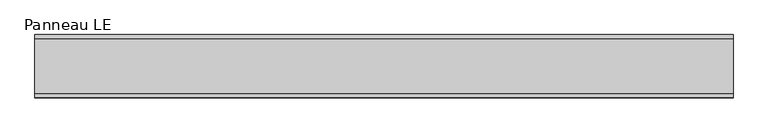
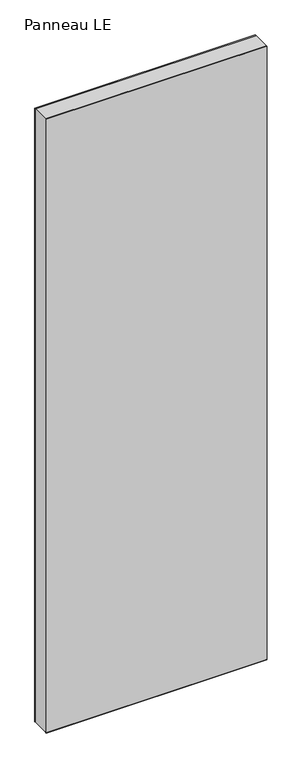
"""IFC4 building model written with IfcOpenShell, lengths in millimetres: plate geometry, Panneau LE."""

import ifcopenshell
import ifcopenshell.guid

model = None  # the IFC model being written
_history = None  # IfcOwnerHistory: only IFC2X3 demands one
_inside = {}  # id of a spatial element -> (the spatial element, [elements in it])
_under = {}  # id of a project, library or spatial element -> (it, [spatial elements below it])
_declared = {}  # id of a project -> (the project, [libraries it declares])
_typed = {}  # id of a type object -> (the type object, [elements of that type])
_made_of = {}  # id of a material, layer set ... -> (it, [elements and type objects made of it])


def new_model(schema):
    """Start an empty IFC model of exactly this schema.

    Asked for "IFC4X3", IfcOpenShell would pick the latest addendum, in which some entities
    have other attributes; the version numbers below select the first issue.
    IFC2X3 requires an IfcOwnerHistory on every rooted entity: one is made here for all.
    """
    global model, _history
    if schema == "IFC4X3":
        model = ifcopenshell.file(schema_version=(4, 3, 0, 0))
    else:
        model = ifcopenshell.file(schema=schema)
    _inside.clear()
    _under.clear()
    _declared.clear()
    _typed.clear()
    _made_of.clear()
    _history = None
    if model.schema == "IFC2X3":
        org = make("IfcOrganization", Name="unknown")
        user = make(
            "IfcPersonAndOrganization",
            ThePerson=make("IfcPerson", FamilyName="unknown"),
            TheOrganization=org,
        )
        app = make(
            "IfcApplication",
            ApplicationDeveloper=org,
            Version="unknown",
            ApplicationFullName="unknown",
            ApplicationIdentifier="unknown",
        )
        _history = make(
            "IfcOwnerHistory",
            OwningUser=user,
            OwningApplication=app,
            ChangeAction="ADDED",
            CreationDate=0,
        )
    return model


def make(cls, **values):
    """One entity of the class cls with the attributes given. An attribute that is None is left unset."""
    return model.create_entity(
        cls, **{name: value for name, value in values.items() if value is not None}
    )


def rooted(cls, **values):
    """An entity with a GlobalId (a new one), such as an element, a storey or a relation."""
    return make(cls, GlobalId=ifcopenshell.guid.new(), OwnerHistory=_history, **values)


def si_unit(unit_type, name, prefix=None):
    """IfcSIUnit, for example si_unit("LENGTHUNIT", "METRE", prefix="MILLI")."""
    return make("IfcSIUnit", UnitType=unit_type, Prefix=prefix, Name=name)


def assignment(units):
    """IfcUnitAssignment: the units of a project."""
    return None if units is None else make("IfcUnitAssignment", Units=units)


def point(xyz):
    """IfcCartesianPoint."""
    return None if xyz is None else make("IfcCartesianPoint", Coordinates=xyz)


def direction(xyz):
    """IfcDirection."""
    return None if xyz is None else make("IfcDirection", DirectionRatios=xyz)


def frame(location, z_axis=None, x_axis=None):
    """IfcAxis2Placement3D, a coordinate frame: its origin and axes. An axis left out is left unset."""
    return make(
        "IfcAxis2Placement3D",
        Location=point(location),
        Axis=direction(z_axis),
        RefDirection=direction(x_axis),
    )


def origin():
    """The frame at (0, 0, 0) with its axes left unset."""
    return frame((0.0, 0.0, 0.0))


def origin_with_axes():
    """The frame at (0, 0, 0) with the z axis (0, 0, 1) and the x axis (1, 0, 0) written out."""
    return frame((0.0, 0.0, 0.0), z_axis=(0.0, 0.0, 1.0), x_axis=(1.0, 0.0, 0.0))


def place(relative_to, where):
    """IfcLocalPlacement: puts the frame where relative to a parent placement (None: the world)."""
    return make(
        "IfcLocalPlacement", PlacementRelTo=relative_to, RelativePlacement=where
    )


def context(
    kind, dimensions, precision=None, world=None, true_north=None, identifier=None
):
    """IfcGeometricRepresentationContext, for example the 3D "Model" context."""
    return make(
        "IfcGeometricRepresentationContext",
        ContextIdentifier=identifier,
        ContextType=kind,
        CoordinateSpaceDimension=dimensions,
        Precision=precision,
        WorldCoordinateSystem=world,
        TrueNorth=true_north,
    )


def project(units=None, contexts=None):
    """IfcProject with its units and contexts."""
    return rooted(
        "IfcProject",
        Name="project",
        RepresentationContexts=contexts,
        UnitsInContext=assignment(units),
    )


def spatial(cls, under=None, at=None, **own):
    """A site, building, storey or space (cls), placed at a placement, below another one or the project."""
    s = rooted(cls, ObjectPlacement=at, **own)
    if under is not None:
        _under.setdefault(under.id(), (under, []))[1].append(s)
    return s


def polyline(points):
    """IfcPolyline through the points."""
    return make("IfcPolyline", Points=[point(p) for p in points])


def outline(outer, holes=None, kind="AREA"):
    """IfcArbitraryClosedProfileDef: a profile drawn as a closed curve; with holes, ...WithVoids."""
    if holes is None:
        return make("IfcArbitraryClosedProfileDef", ProfileType=kind, OuterCurve=outer)
    return make(
        "IfcArbitraryProfileDefWithVoids",
        ProfileType=kind,
        OuterCurve=outer,
        InnerCurves=holes,
    )


def extrude(swept, where, along, depth):
    """IfcExtrudedAreaSolid: the profile swept, set in the frame where, extruded along a direction by depth."""
    return make(
        "IfcExtrudedAreaSolid",
        SweptArea=swept,
        Position=where,
        ExtrudedDirection=direction(along),
        Depth=depth,
    )


def shape(context_of_items, identifier, shape_type, items):
    """IfcShapeRepresentation: the items that make up one representation, for example the "Body"."""
    return make(
        "IfcShapeRepresentation",
        ContextOfItems=context_of_items,
        RepresentationIdentifier=identifier,
        RepresentationType=shape_type,
        Items=items,
    )


def source(mapping_origin, context_of_items, identifier, shape_type, items):
    """IfcRepresentationMap: a shape defined once, which mapped items show again and again."""
    return make(
        "IfcRepresentationMap",
        MappingOrigin=mapping_origin,
        MappedRepresentation=shape(context_of_items, identifier, shape_type, items),
    )


def transform(
    local_origin,
    x_axis=None,
    y_axis=None,
    z_axis=None,
    scale=None,
    scale2=None,
    scale3=None,
    uniform=True,
):
    """IfcCartesianTransformationOperator3D, or its non-uniform kind. x_axis, y_axis, z_axis: its Axis1, 2, 3."""
    if uniform:
        return make(
            "IfcCartesianTransformationOperator3D",
            Axis1=direction(x_axis),
            Axis2=direction(y_axis),
            LocalOrigin=point(local_origin),
            Scale=scale,
            Axis3=direction(z_axis),
        )
    return make(
        "IfcCartesianTransformationOperator3DnonUniform",
        Axis1=direction(x_axis),
        Axis2=direction(y_axis),
        LocalOrigin=point(local_origin),
        Scale=scale,
        Axis3=direction(z_axis),
        Scale2=scale2,
        Scale3=scale3,
    )


def mapped(mapping_source, mapping_target):
    """IfcMappedItem: shows the shape of a source again, moved by a transform."""
    return make(
        "IfcMappedItem", MappingSource=mapping_source, MappingTarget=mapping_target
    )


def made_of(thing, what):
    """Note that an element or type object is made of a material, layer set ...; save() writes the relation."""
    if what is not None:
        _made_of.setdefault(what.id(), (what, []))[1].append(thing)
    return thing


def element(
    cls,
    number,
    at=None,
    inside=None,
    cuts=None,
    type_object=None,
    material=None,
    context=None,
    identifier="Body",
    shape_type=None,
    held_by="IfcProductDefinitionShape",
    body=None,
    shapes=None,
    **own,
):
    """One element of the class cls, such as IfcWall. Its Tag is "e" and its number.

    at: its placement. inside: the storey or other place that contains it. cuts: it is an
    opening in that element (IfcRelVoidsElement). A single representation is given by context,
    identifier, shape_type and body (its items); several are given by shapes. held_by: the class
    of the entity that holds the representations. save() writes the other relations.
    """
    e = rooted(cls, Tag="e%d" % number, ObjectPlacement=at, **own)
    if body is not None:
        shapes = [shape(context, identifier, shape_type, body)]
    if shapes is not None:
        e.Representation = make(held_by, Representations=shapes)
    if inside is not None:
        _inside.setdefault(inside.id(), (inside, []))[1].append(e)
    if cuts is not None:
        rooted(
            "IfcRelVoidsElement", RelatingBuildingElement=cuts, RelatedOpeningElement=e
        )
    if type_object is not None:
        _typed.setdefault(type_object.id(), (type_object, []))[1].append(e)
    return made_of(e, material)


def aggregate(whole, parts):
    """IfcRelAggregates: a whole, such as a stair, and the parts it consists of."""
    return rooted("IfcRelAggregates", RelatingObject=whole, RelatedObjects=parts)


def save(model, path):
    """Write the relations noted so far, then the file.

    IfcRelAggregates (storeys below a building ...), IfcRelContainedInSpatialStructure (elements
    in a storey), IfcRelDefinesByType, IfcRelAssociatesMaterial and IfcRelDeclares: one each for
    every whole, place, type object, material and project.
    """
    for whole, parts in _under.values():
        aggregate(whole, parts)
    for where, things in _inside.values():
        rooted(
            "IfcRelContainedInSpatialStructure",
            RelatedElements=things,
            RelatingStructure=where,
        )
    for kind, things in _typed.values():
        rooted("IfcRelDefinesByType", RelatedObjects=things, RelatingType=kind)
    for what, things in _made_of.values():
        rooted("IfcRelAssociatesMaterial", RelatedObjects=things, RelatingMaterial=what)
    for by, libraries in _declared.values():
        rooted("IfcRelDeclares", RelatingContext=by, RelatedDefinitions=libraries)
    model.write(path)


def panneau_le_c20e96ca(model_context):
    return source(origin(), model_context, "Body", "SweptSolid", [
        extrude(outline(polyline([(2933.0, 499.7748678), (2933.0, -499.7748678), (0.0, -499.7748678), (0.0, 499.7748678), (2933.0, 499.7748678)]), holes=[polyline([(60.0, -459.7748678), (2873.0, -459.7748678), (2873.0, 459.7748678), (60.0, 459.7748678), (60.0, -459.7748678)])]), frame((0.0, -39.0, 0.0), z_axis=(0.0, 1.0, 0.0), x_axis=(0.0, 0.0, 1.0)), (0.0, 0.0, 1.0), 78.0),
        extrude(outline(polyline([(-499.7748678, 35.0), (-499.7748678, 45.0), (499.7748678, 45.0), (499.7748678, 35.0), (-499.7748678, 35.0)])), frame((0.0, 0.0, -1.5), z_axis=(0.0, 0.0, 1.0), x_axis=(1.0, 0.0, 0.0)), (0.0, 0.0, 1.0), 1.5),
        extrude(outline(polyline([(-499.7748678, -45.0), (-499.7748678, -35.0), (499.7748678, -35.0), (499.7748678, -45.0), (-499.7748678, -45.0)])), frame((0.0, 0.0, -1.5), z_axis=(0.0, 0.0, 1.0), x_axis=(1.0, 0.0, 0.0)), (0.0, 0.0, 1.0), 1.5),
        extrude(outline(polyline([(499.7748678, 39.0), (-499.7748678, 39.0), (-499.7748678, 45.0), (499.7748678, 45.0), (499.7748678, 39.0)])), origin_with_axes(), (0.0, 0.0, 1.0), 2933.0),
        extrude(outline(polyline([(-499.7748678, -45.0), (-499.7748678, -39.0), (499.7748678, -39.0), (499.7748678, -45.0), (-499.7748678, -45.0)])), origin_with_axes(), (0.0, 0.0, 1.0), 2933.0),
    ])


if __name__ == "__main__":
    model = new_model("IFC4")
    model_context = context("Model", 3, world=origin())
    ifc_project = project(units=[si_unit("LENGTHUNIT", "METRE", prefix="MILLI")], contexts=[model_context])
    site = spatial("IfcSite", under=ifc_project)
    building = spatial("IfcBuilding", under=site)
    placement = place(None, origin())
    panneau_le_shape = panneau_le_c20e96ca(model_context)
    element("IfcPlate", 1, ObjectType="Panneau LE", at=placement, inside=building, context=model_context, shape_type="MappedRepresentation", body=[
        mapped(panneau_le_shape, transform((0.0, 0.0, 0.0), x_axis=(1.0, 0.0, 0.0), y_axis=(0.0, 1.0, 0.0), z_axis=(0.0, 0.0, 1.0))),
    ])
    save(model, "model.ifc")
